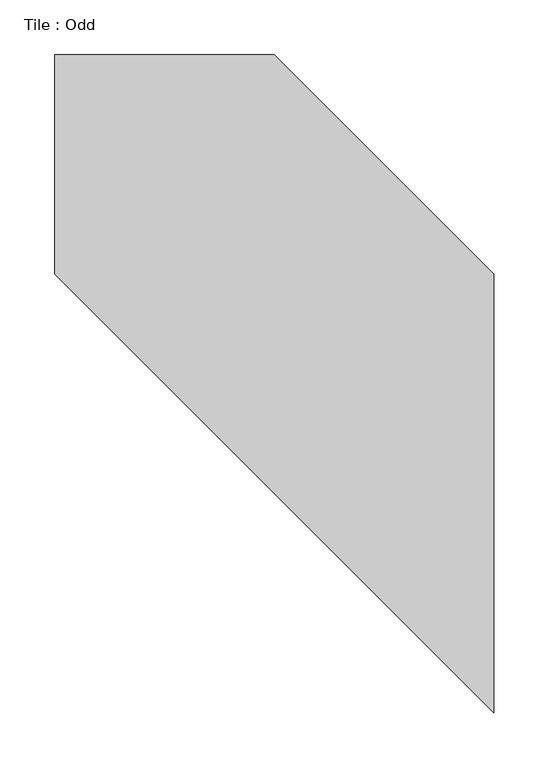
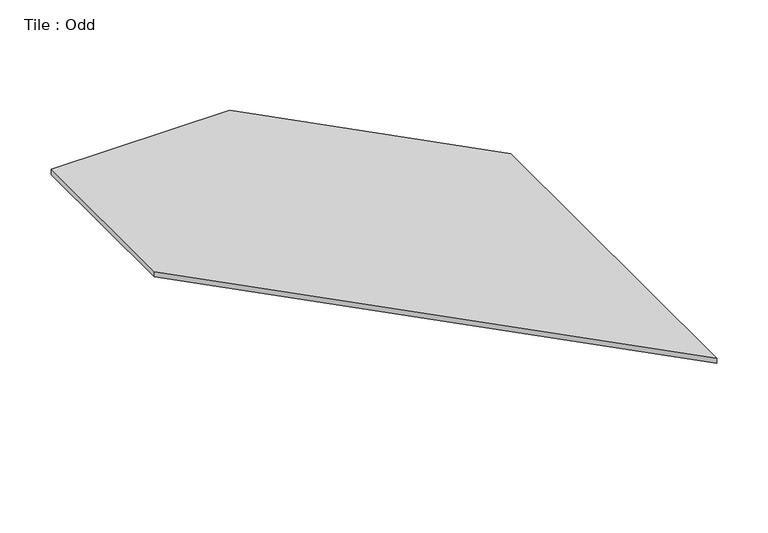
"""IFC4 building model written with IfcOpenShell, lengths in millimetres: proxy geometry, Tile : Odd."""

import ifcopenshell
import ifcopenshell.guid

model = None  # the IFC model being written
_history = None  # IfcOwnerHistory: only IFC2X3 demands one
_inside = {}  # id of a spatial element -> (the spatial element, [elements in it])
_under = {}  # id of a project, library or spatial element -> (it, [spatial elements below it])
_declared = {}  # id of a project -> (the project, [libraries it declares])
_typed = {}  # id of a type object -> (the type object, [elements of that type])
_made_of = {}  # id of a material, layer set ... -> (it, [elements and type objects made of it])


def new_model(schema):
    """Start an empty IFC model of exactly this schema.

    Asked for "IFC4X3", IfcOpenShell would pick the latest addendum, in which some entities
    have other attributes; the version numbers below select the first issue.
    IFC2X3 requires an IfcOwnerHistory on every rooted entity: one is made here for all.
    """
    global model, _history
    if schema == "IFC4X3":
        model = ifcopenshell.file(schema_version=(4, 3, 0, 0))
    else:
        model = ifcopenshell.file(schema=schema)
    _inside.clear()
    _under.clear()
    _declared.clear()
    _typed.clear()
    _made_of.clear()
    _history = None
    if model.schema == "IFC2X3":
        org = make("IfcOrganization", Name="unknown")
        user = make(
            "IfcPersonAndOrganization",
            ThePerson=make("IfcPerson", FamilyName="unknown"),
            TheOrganization=org,
        )
        app = make(
            "IfcApplication",
            ApplicationDeveloper=org,
            Version="unknown",
            ApplicationFullName="unknown",
            ApplicationIdentifier="unknown",
        )
        _history = make(
            "IfcOwnerHistory",
            OwningUser=user,
            OwningApplication=app,
            ChangeAction="ADDED",
            CreationDate=0,
        )
    return model


def make(cls, **values):
    """One entity of the class cls with the attributes given. An attribute that is None is left unset."""
    return model.create_entity(
        cls, **{name: value for name, value in values.items() if value is not None}
    )


def rooted(cls, **values):
    """An entity with a GlobalId (a new one), such as an element, a storey or a relation."""
    return make(cls, GlobalId=ifcopenshell.guid.new(), OwnerHistory=_history, **values)


def si_unit(unit_type, name, prefix=None):
    """IfcSIUnit, for example si_unit("LENGTHUNIT", "METRE", prefix="MILLI")."""
    return make("IfcSIUnit", UnitType=unit_type, Prefix=prefix, Name=name)


def assignment(units):
    """IfcUnitAssignment: the units of a project."""
    return None if units is None else make("IfcUnitAssignment", Units=units)


def point(xyz):
    """IfcCartesianPoint."""
    return None if xyz is None else make("IfcCartesianPoint", Coordinates=xyz)


def direction(xyz):
    """IfcDirection."""
    return None if xyz is None else make("IfcDirection", DirectionRatios=xyz)


def frame(location, z_axis=None, x_axis=None):
    """IfcAxis2Placement3D, a coordinate frame: its origin and axes. An axis left out is left unset."""
    return make(
        "IfcAxis2Placement3D",
        Location=point(location),
        Axis=direction(z_axis),
        RefDirection=direction(x_axis),
    )


def origin():
    """The frame at (0, 0, 0) with its axes left unset."""
    return frame((0.0, 0.0, 0.0))


def origin_with_axes():
    """The frame at (0, 0, 0) with the z axis (0, 0, 1) and the x axis (1, 0, 0) written out."""
    return frame((0.0, 0.0, 0.0), z_axis=(0.0, 0.0, 1.0), x_axis=(1.0, 0.0, 0.0))


def place(relative_to, where):
    """IfcLocalPlacement: puts the frame where relative to a parent placement (None: the world)."""
    return make(
        "IfcLocalPlacement", PlacementRelTo=relative_to, RelativePlacement=where
    )


def context(
    kind, dimensions, precision=None, world=None, true_north=None, identifier=None
):
    """IfcGeometricRepresentationContext, for example the 3D "Model" context."""
    return make(
        "IfcGeometricRepresentationContext",
        ContextIdentifier=identifier,
        ContextType=kind,
        CoordinateSpaceDimension=dimensions,
        Precision=precision,
        WorldCoordinateSystem=world,
        TrueNorth=true_north,
    )


def project(units=None, contexts=None):
    """IfcProject with its units and contexts."""
    return rooted(
        "IfcProject",
        Name="project",
        RepresentationContexts=contexts,
        UnitsInContext=assignment(units),
    )


def spatial(cls, under=None, at=None, **own):
    """A site, building, storey or space (cls), placed at a placement, below another one or the project."""
    s = rooted(cls, ObjectPlacement=at, **own)
    if under is not None:
        _under.setdefault(under.id(), (under, []))[1].append(s)
    return s


def polyline(points):
    """IfcPolyline through the points."""
    return make("IfcPolyline", Points=[point(p) for p in points])


def outline(outer, holes=None, kind="AREA"):
    """IfcArbitraryClosedProfileDef: a profile drawn as a closed curve; with holes, ...WithVoids."""
    if holes is None:
        return make("IfcArbitraryClosedProfileDef", ProfileType=kind, OuterCurve=outer)
    return make(
        "IfcArbitraryProfileDefWithVoids",
        ProfileType=kind,
        OuterCurve=outer,
        InnerCurves=holes,
    )


def extrude(swept, where, along, depth):
    """IfcExtrudedAreaSolid: the profile swept, set in the frame where, extruded along a direction by depth."""
    return make(
        "IfcExtrudedAreaSolid",
        SweptArea=swept,
        Position=where,
        ExtrudedDirection=direction(along),
        Depth=depth,
    )


def shape(context_of_items, identifier, shape_type, items):
    """IfcShapeRepresentation: the items that make up one representation, for example the "Body"."""
    return make(
        "IfcShapeRepresentation",
        ContextOfItems=context_of_items,
        RepresentationIdentifier=identifier,
        RepresentationType=shape_type,
        Items=items,
    )


def source(mapping_origin, context_of_items, identifier, shape_type, items):
    """IfcRepresentationMap: a shape defined once, which mapped items show again and again."""
    return make(
        "IfcRepresentationMap",
        MappingOrigin=mapping_origin,
        MappedRepresentation=shape(context_of_items, identifier, shape_type, items),
    )


def transform(
    local_origin,
    x_axis=None,
    y_axis=None,
    z_axis=None,
    scale=None,
    scale2=None,
    scale3=None,
    uniform=True,
):
    """IfcCartesianTransformationOperator3D, or its non-uniform kind. x_axis, y_axis, z_axis: its Axis1, 2, 3."""
    if uniform:
        return make(
            "IfcCartesianTransformationOperator3D",
            Axis1=direction(x_axis),
            Axis2=direction(y_axis),
            LocalOrigin=point(local_origin),
            Scale=scale,
            Axis3=direction(z_axis),
        )
    return make(
        "IfcCartesianTransformationOperator3DnonUniform",
        Axis1=direction(x_axis),
        Axis2=direction(y_axis),
        LocalOrigin=point(local_origin),
        Scale=scale,
        Axis3=direction(z_axis),
        Scale2=scale2,
        Scale3=scale3,
    )


def mapped(mapping_source, mapping_target):
    """IfcMappedItem: shows the shape of a source again, moved by a transform."""
    return make(
        "IfcMappedItem", MappingSource=mapping_source, MappingTarget=mapping_target
    )


def made_of(thing, what):
    """Note that an element or type object is made of a material, layer set ...; save() writes the relation."""
    if what is not None:
        _made_of.setdefault(what.id(), (what, []))[1].append(thing)
    return thing


def element(
    cls,
    number,
    at=None,
    inside=None,
    cuts=None,
    type_object=None,
    material=None,
    context=None,
    identifier="Body",
    shape_type=None,
    held_by="IfcProductDefinitionShape",
    body=None,
    shapes=None,
    **own,
):
    """One element of the class cls, such as IfcWall. Its Tag is "e" and its number.

    at: its placement. inside: the storey or other place that contains it. cuts: it is an
    opening in that element (IfcRelVoidsElement). A single representation is given by context,
    identifier, shape_type and body (its items); several are given by shapes. held_by: the class
    of the entity that holds the representations. save() writes the other relations.
    """
    e = rooted(cls, Tag="e%d" % number, ObjectPlacement=at, **own)
    if body is not None:
        shapes = [shape(context, identifier, shape_type, body)]
    if shapes is not None:
        e.Representation = make(held_by, Representations=shapes)
    if inside is not None:
        _inside.setdefault(inside.id(), (inside, []))[1].append(e)
    if cuts is not None:
        rooted(
            "IfcRelVoidsElement", RelatingBuildingElement=cuts, RelatedOpeningElement=e
        )
    if type_object is not None:
        _typed.setdefault(type_object.id(), (type_object, []))[1].append(e)
    return made_of(e, material)


def aggregate(whole, parts):
    """IfcRelAggregates: a whole, such as a stair, and the parts it consists of."""
    return rooted("IfcRelAggregates", RelatingObject=whole, RelatedObjects=parts)


def save(model, path):
    """Write the relations noted so far, then the file.

    IfcRelAggregates (storeys below a building ...), IfcRelContainedInSpatialStructure (elements
    in a storey), IfcRelDefinesByType, IfcRelAssociatesMaterial and IfcRelDeclares: one each for
    every whole, place, type object, material and project.
    """
    for whole, parts in _under.values():
        aggregate(whole, parts)
    for where, things in _inside.values():
        rooted(
            "IfcRelContainedInSpatialStructure",
            RelatedElements=things,
            RelatingStructure=where,
        )
    for kind, things in _typed.values():
        rooted("IfcRelDefinesByType", RelatedObjects=things, RelatingType=kind)
    for what, things in _made_of.values():
        rooted("IfcRelAssociatesMaterial", RelatedObjects=things, RelatingMaterial=what)
    for by, libraries in _declared.values():
        rooted("IfcRelDeclares", RelatingContext=by, RelatedDefinitions=libraries)
    model.write(path)


def tile_odd_48173d42(model_context):
    return source(origin(), model_context, "Body", "SweptSolid", [
        extrude(outline(polyline([(-200.0, 100.0), (-200.0, 300.0), (0.0, 300.0), (200.0, 100.0), (200.0, -300.0), (-200.0, 100.0)])), origin_with_axes(), (0.0, 0.0, 1.0), 6.0),
    ])


if __name__ == "__main__":
    model = new_model("IFC4")
    model_context = context("Model", 3, world=origin())
    ifc_project = project(units=[si_unit("LENGTHUNIT", "METRE", prefix="MILLI")], contexts=[model_context])
    site = spatial("IfcSite", under=ifc_project)
    building = spatial("IfcBuilding", under=site)
    placement = place(None, origin())
    tile_odd_shape = tile_odd_48173d42(model_context)
    element("IfcBuildingElementProxy", 1, Name="Tile : Odd", ObjectType="Tile : Odd", at=placement, inside=building, context=model_context, shape_type="MappedRepresentation", body=[
        mapped(tile_odd_shape, transform((0.0, 0.0, 0.0), x_axis=(1.0, 0.0, 0.0), y_axis=(0.0, 1.0, 0.0), z_axis=(0.0, 0.0, 1.0))),
    ])
    save(model, "model.ifc")
